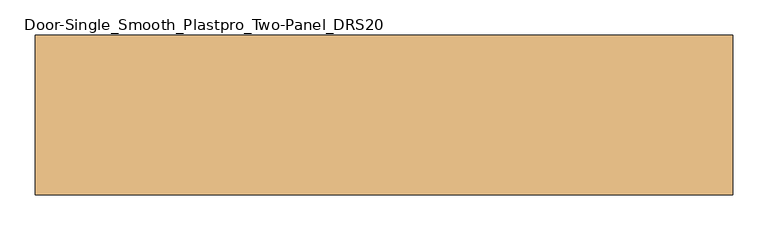
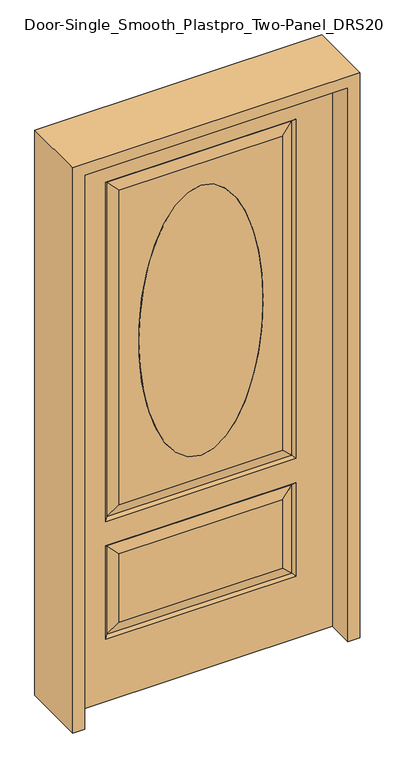
"""IFC4 building model written with IfcOpenShell, lengths in millimetres: door geometry, Door-Single_Smooth_Plastpro_Two-Panel_DRS20."""

import ifcopenshell
import ifcopenshell.guid

model = None  # the IFC model being written
_history = None  # IfcOwnerHistory: only IFC2X3 demands one
_inside = {}  # id of a spatial element -> (the spatial element, [elements in it])
_under = {}  # id of a project, library or spatial element -> (it, [spatial elements below it])
_declared = {}  # id of a project -> (the project, [libraries it declares])
_typed = {}  # id of a type object -> (the type object, [elements of that type])
_made_of = {}  # id of a material, layer set ... -> (it, [elements and type objects made of it])


def new_model(schema):
    """Start an empty IFC model of exactly this schema.

    Asked for "IFC4X3", IfcOpenShell would pick the latest addendum, in which some entities
    have other attributes; the version numbers below select the first issue.
    IFC2X3 requires an IfcOwnerHistory on every rooted entity: one is made here for all.
    """
    global model, _history
    if schema == "IFC4X3":
        model = ifcopenshell.file(schema_version=(4, 3, 0, 0))
    else:
        model = ifcopenshell.file(schema=schema)
    _inside.clear()
    _under.clear()
    _declared.clear()
    _typed.clear()
    _made_of.clear()
    _history = None
    if model.schema == "IFC2X3":
        org = make("IfcOrganization", Name="unknown")
        user = make(
            "IfcPersonAndOrganization",
            ThePerson=make("IfcPerson", FamilyName="unknown"),
            TheOrganization=org,
        )
        app = make(
            "IfcApplication",
            ApplicationDeveloper=org,
            Version="unknown",
            ApplicationFullName="unknown",
            ApplicationIdentifier="unknown",
        )
        _history = make(
            "IfcOwnerHistory",
            OwningUser=user,
            OwningApplication=app,
            ChangeAction="ADDED",
            CreationDate=0,
        )
    return model


def make(cls, **values):
    """One entity of the class cls with the attributes given. An attribute that is None is left unset."""
    return model.create_entity(
        cls, **{name: value for name, value in values.items() if value is not None}
    )


def rooted(cls, **values):
    """An entity with a GlobalId (a new one), such as an element, a storey or a relation."""
    return make(cls, GlobalId=ifcopenshell.guid.new(), OwnerHistory=_history, **values)


def si_unit(unit_type, name, prefix=None):
    """IfcSIUnit, for example si_unit("LENGTHUNIT", "METRE", prefix="MILLI")."""
    return make("IfcSIUnit", UnitType=unit_type, Prefix=prefix, Name=name)


def assignment(units):
    """IfcUnitAssignment: the units of a project."""
    return None if units is None else make("IfcUnitAssignment", Units=units)


def point(xyz):
    """IfcCartesianPoint."""
    return None if xyz is None else make("IfcCartesianPoint", Coordinates=xyz)


def direction(xyz):
    """IfcDirection."""
    return None if xyz is None else make("IfcDirection", DirectionRatios=xyz)


def frame(location, z_axis=None, x_axis=None):
    """IfcAxis2Placement3D, a coordinate frame: its origin and axes. An axis left out is left unset."""
    return make(
        "IfcAxis2Placement3D",
        Location=point(location),
        Axis=direction(z_axis),
        RefDirection=direction(x_axis),
    )


def origin():
    """The frame at (0, 0, 0) with its axes left unset."""
    return frame((0.0, 0.0, 0.0))


def place(relative_to, where):
    """IfcLocalPlacement: puts the frame where relative to a parent placement (None: the world)."""
    return make(
        "IfcLocalPlacement", PlacementRelTo=relative_to, RelativePlacement=where
    )


def context(
    kind, dimensions, precision=None, world=None, true_north=None, identifier=None
):
    """IfcGeometricRepresentationContext, for example the 3D "Model" context."""
    return make(
        "IfcGeometricRepresentationContext",
        ContextIdentifier=identifier,
        ContextType=kind,
        CoordinateSpaceDimension=dimensions,
        Precision=precision,
        WorldCoordinateSystem=world,
        TrueNorth=true_north,
    )


def project(units=None, contexts=None):
    """IfcProject with its units and contexts."""
    return rooted(
        "IfcProject",
        Name="project",
        RepresentationContexts=contexts,
        UnitsInContext=assignment(units),
    )


def spatial(cls, under=None, at=None, **own):
    """A site, building, storey or space (cls), placed at a placement, below another one or the project."""
    s = rooted(cls, ObjectPlacement=at, **own)
    if under is not None:
        _under.setdefault(under.id(), (under, []))[1].append(s)
    return s


def polyline(points):
    """IfcPolyline through the points."""
    return make("IfcPolyline", Points=[point(p) for p in points])


def ellipse_curve(where, semi_axis1, semi_axis2):
    """IfcEllipse in the frame where."""
    return make(
        "IfcEllipse", Position=where, SemiAxis1=semi_axis1, SemiAxis2=semi_axis2
    )


def trimmed(basis, trim1, trim2, sense, master):
    """IfcTrimmedCurve: the piece of a basis curve between two trims."""
    return make(
        "IfcTrimmedCurve",
        BasisCurve=basis,
        Trim1=trim1,
        Trim2=trim2,
        SenseAgreement=sense,
        MasterRepresentation=master,
    )


def outline(outer, holes=None, kind="AREA"):
    """IfcArbitraryClosedProfileDef: a profile drawn as a closed curve; with holes, ...WithVoids."""
    if holes is None:
        return make("IfcArbitraryClosedProfileDef", ProfileType=kind, OuterCurve=outer)
    return make(
        "IfcArbitraryProfileDefWithVoids",
        ProfileType=kind,
        OuterCurve=outer,
        InnerCurves=holes,
    )


def extrude(swept, where, along, depth):
    """IfcExtrudedAreaSolid: the profile swept, set in the frame where, extruded along a direction by depth."""
    return make(
        "IfcExtrudedAreaSolid",
        SweptArea=swept,
        Position=where,
        ExtrudedDirection=direction(along),
        Depth=depth,
    )


def shape(context_of_items, identifier, shape_type, items):
    """IfcShapeRepresentation: the items that make up one representation, for example the "Body"."""
    return make(
        "IfcShapeRepresentation",
        ContextOfItems=context_of_items,
        RepresentationIdentifier=identifier,
        RepresentationType=shape_type,
        Items=items,
    )


def source(mapping_origin, context_of_items, identifier, shape_type, items):
    """IfcRepresentationMap: a shape defined once, which mapped items show again and again."""
    return make(
        "IfcRepresentationMap",
        MappingOrigin=mapping_origin,
        MappedRepresentation=shape(context_of_items, identifier, shape_type, items),
    )


def transform(
    local_origin,
    x_axis=None,
    y_axis=None,
    z_axis=None,
    scale=None,
    scale2=None,
    scale3=None,
    uniform=True,
):
    """IfcCartesianTransformationOperator3D, or its non-uniform kind. x_axis, y_axis, z_axis: its Axis1, 2, 3."""
    if uniform:
        return make(
            "IfcCartesianTransformationOperator3D",
            Axis1=direction(x_axis),
            Axis2=direction(y_axis),
            LocalOrigin=point(local_origin),
            Scale=scale,
            Axis3=direction(z_axis),
        )
    return make(
        "IfcCartesianTransformationOperator3DnonUniform",
        Axis1=direction(x_axis),
        Axis2=direction(y_axis),
        LocalOrigin=point(local_origin),
        Scale=scale,
        Axis3=direction(z_axis),
        Scale2=scale2,
        Scale3=scale3,
    )


def mapped(mapping_source, mapping_target):
    """IfcMappedItem: shows the shape of a source again, moved by a transform."""
    return make(
        "IfcMappedItem", MappingSource=mapping_source, MappingTarget=mapping_target
    )


def made_of(thing, what):
    """Note that an element or type object is made of a material, layer set ...; save() writes the relation."""
    if what is not None:
        _made_of.setdefault(what.id(), (what, []))[1].append(thing)
    return thing


def element(
    cls,
    number,
    at=None,
    inside=None,
    cuts=None,
    type_object=None,
    material=None,
    context=None,
    identifier="Body",
    shape_type=None,
    held_by="IfcProductDefinitionShape",
    body=None,
    shapes=None,
    **own,
):
    """One element of the class cls, such as IfcWall. Its Tag is "e" and its number.

    at: its placement. inside: the storey or other place that contains it. cuts: it is an
    opening in that element (IfcRelVoidsElement). A single representation is given by context,
    identifier, shape_type and body (its items); several are given by shapes. held_by: the class
    of the entity that holds the representations. save() writes the other relations.
    """
    e = rooted(cls, Tag="e%d" % number, ObjectPlacement=at, **own)
    if body is not None:
        shapes = [shape(context, identifier, shape_type, body)]
    if shapes is not None:
        e.Representation = make(held_by, Representations=shapes)
    if inside is not None:
        _inside.setdefault(inside.id(), (inside, []))[1].append(e)
    if cuts is not None:
        rooted(
            "IfcRelVoidsElement", RelatingBuildingElement=cuts, RelatedOpeningElement=e
        )
    if type_object is not None:
        _typed.setdefault(type_object.id(), (type_object, []))[1].append(e)
    return made_of(e, material)


def aggregate(whole, parts):
    """IfcRelAggregates: a whole, such as a stair, and the parts it consists of."""
    return rooted("IfcRelAggregates", RelatingObject=whole, RelatedObjects=parts)


def save(model, path):
    """Write the relations noted so far, then the file.

    IfcRelAggregates (storeys below a building ...), IfcRelContainedInSpatialStructure (elements
    in a storey), IfcRelDefinesByType, IfcRelAssociatesMaterial and IfcRelDeclares: one each for
    every whole, place, type object, material and project.
    """
    for whole, parts in _under.values():
        aggregate(whole, parts)
    for where, things in _inside.values():
        rooted(
            "IfcRelContainedInSpatialStructure",
            RelatedElements=things,
            RelatingStructure=where,
        )
    for kind, things in _typed.values():
        rooted("IfcRelDefinesByType", RelatedObjects=things, RelatingType=kind)
    for what, things in _made_of.values():
        rooted("IfcRelAssociatesMaterial", RelatedObjects=things, RelatingMaterial=what)
    for by, libraries in _declared.values():
        rooted("IfcRelDeclares", RelatingContext=by, RelatedDefinitions=libraries)
    model.write(path)


def plane_surface(at):
    """IfcPlane: the flat surface through the origin of the frame at, square to its z axis."""
    return make("IfcPlane", Position=at)


def extruded_surface(curve, direction_of_extrusion, depth):
    """IfcSurfaceOfLinearExtrusion: the curve pushed along a direction by depth."""
    return make(
        "IfcSurfaceOfLinearExtrusion",
        SweptCurve=make("IfcArbitraryOpenProfileDef", ProfileType="CURVE", Curve=curve),
        ExtrudedDirection=direction(direction_of_extrusion),
        Depth=depth,
    )


def advanced_brep(points, edges, surfaces, faces):
    """IfcAdvancedBrep: a solid bounded by faces that lie on surfaces and meet in shared edges.

    An edge is (start, end): straight between two places in points (the first is 0);
    or (start, end, curve); or (start, end, curve, False) where it runs against its curve.
    A face is (place in surfaces, loops), or (place, loops, False) where it looks against
    its surface's normal. A loop lists edges by number (the first is 1), with a minus sign
    where the edge is run from its end to its start. The first loop is the outer one.
    """
    corners = [point(p) for p in points]
    vertices = [make("IfcVertexPoint", VertexGeometry=c) for c in corners]
    made = []
    for start, end, *more in edges:
        made.append(
            make(
                "IfcEdgeCurve",
                EdgeStart=vertices[start],
                EdgeEnd=vertices[end],
                EdgeGeometry=more[0] if more else make("IfcPolyline", Points=[corners[start], corners[end]]),
                SameSense=more[1] if len(more) > 1 else True,
            )
        )
    hull = []
    for where, loops, *sense in faces:
        bounds = []
        for j, loop in enumerate(loops):
            ring = [make("IfcOrientedEdge", EdgeElement=made[abs(k) - 1], Orientation=k > 0) for k in loop]
            bounds.append(
                make(
                    "IfcFaceOuterBound" if j == 0 else "IfcFaceBound",
                    Bound=make("IfcEdgeLoop", EdgeList=ring),
                    Orientation=True,
                )
            )
        hull.append(make("IfcAdvancedFace", Bounds=bounds, FaceSurface=surfaces[where], SameSense=sense[0] if sense else True))
    return make("IfcAdvancedBrep", Outer=make("IfcClosedShell", CfsFaces=hull))


def door_single_smooth_plastpro_two_panel_drs20_45e7a309(model_context):
    return source(origin(), model_context, "Body", "SolidModel", [
        advanced_brep(
        [(0.0, -20.6375, 1778.0), (0.0, -20.6375, 787.4), (0.0, 20.6375, 1778.0), (0.0, 20.6375, 787.4)],
        [
            (0, 1, ellipse_curve(frame((0.0, -20.6375, 1282.7), z_axis=(0.0, -1.0, 0.0), x_axis=(0.0, 0.0, -1.0)), 495.3, 215.9)),
            (1, 0, ellipse_curve(frame((0.0, -20.6375, 1282.7), z_axis=(0.0, -1.0, 0.0), x_axis=(0.0, 0.0, -1.0)), 495.3, 215.9)),
            (0, 2),
            (2, 3, ellipse_curve(frame((0.0, 20.6375, 1282.7), z_axis=(0.0, -1.0, 0.0), x_axis=(0.0, 0.0, -1.0)), 495.3, 215.9)),
            (3, 1),
            (3, 2, ellipse_curve(frame((0.0, 20.6375, 1282.7), z_axis=(0.0, -1.0, 0.0), x_axis=(0.0, 0.0, -1.0)), 495.3, 215.9)),
        ],
        [
            plane_surface(frame((0.0, -20.6375, 787.4), z_axis=(0.0, -1.0, 0.0), x_axis=(1.0, 0.0, 0.0))),
            extruded_surface(trimmed(ellipse_curve(frame((0.0, 61.9125, 1282.7), z_axis=(0.0, -1.0, 0.0), x_axis=(0.0, 0.0, -1.0)), 495.3, 215.9), [point((0.0, 61.9125, 1778.0))], [point((0.0, 61.9125, 787.4))], True, "CARTESIAN"), (0.0, -41.275000000000006, 0.0), 41.275000000000006),
            extruded_surface(trimmed(ellipse_curve(frame((0.0, 61.9125, 1282.7), z_axis=(0.0, -1.0, 0.0), x_axis=(0.0, 0.0, -1.0)), 495.3, 215.9), [point((0.0, 61.9125, 787.4))], [point((0.0, 61.9125, 1778.0))], True, "CARTESIAN"), (0.0, -41.275000000000006, 0.0), 41.275000000000006),
            plane_surface(frame((0.0, 20.6375, 787.4), z_axis=(0.0, 1.0, 0.0), x_axis=(-1.0, 0.0, 0.0))),
        ],
        [
            (0, [[1, 2]]),
            (1, [[-1, 3, 4, 5]]),
            (2, [[-2, -5, 6, -3]]),
            (3, [[-6, -4]]),
        ],
    ),
        advanced_brep(
        [(457.2, 20.6375, 0.0), (457.2, -20.6375, 0.0), (-457.2, -20.6375, 0.0), (-457.2, 20.6375, 0.0), (457.2, 20.6375, 2032.0), (457.2, -20.6375, 2032.0), (-284.1625, -20.6375, 706.4375), (284.1625, -20.6375, 706.4375), (284.1625, -20.6375, 1858.9625), (-284.1625, -20.6375, 1858.9625), (0.0, -20.6375, 787.4), (0.0, -20.6375, 1778.0), (-284.1625, -20.6375, 274.6375), (284.1625, -20.6375, 274.6375), (284.1625, -20.6375, 525.4625), (-284.1625, -20.6375, 525.4625), (-457.2, -20.6375, 2032.0), (330.2, -20.6375, 660.4), (-330.2, -20.6375, 660.4), (-330.2, -20.6375, 1905.0), (330.2, -20.6375, 1905.0), (330.2, -20.6375, 228.6), (-330.2, -20.6375, 228.6), (-330.2, -20.6375, 571.5), (330.2, -20.6375, 571.5), (-457.2, 20.6375, 2032.0), (-284.1625, 20.6375, 525.4625), (284.1625, 20.6375, 525.4625), (284.1625, 20.6375, 274.6375), (-284.1625, 20.6375, 274.6375), (-284.1625, 20.6375, 1858.9625), (284.1625, 20.6375, 1858.9625), (284.1625, 20.6375, 706.4375), (-284.1625, 20.6375, 706.4375), (0.0, 20.6375, 1778.0), (0.0, 20.6375, 787.4), (330.2, 20.6375, 571.5), (-330.2, 20.6375, 571.5), (-330.2, 20.6375, 228.6), (330.2, 20.6375, 228.6), (330.2, 20.6375, 1905.0), (-330.2, 20.6375, 1905.0), (-330.2, 20.6375, 660.4), (330.2, 20.6375, 660.4), (-321.2197439, 11.6572439, 1896.0197439), (-321.2197439, 11.6572439, 669.3802561), (321.2197439, 11.6572439, 669.3802561), (321.2197439, 11.6572439, 1896.0197439), (321.2197439, 11.6572439, 562.5197439), (-321.2197439, 11.6572439, 562.5197439), (-321.2197439, 11.6572439, 237.5802561), (321.2197439, 11.6572439, 237.5802561), (321.2197439, -11.6572439, 669.3802561), (-321.2197439, -11.6572439, 669.3802561), (-321.2197439, -11.6572439, 1896.0197439), (321.2197439, -11.6572439, 1896.0197439), (321.2197439, -11.6572439, 237.5802561), (-321.2197439, -11.6572439, 237.5802561), (-321.2197439, -11.6572439, 562.5197439), (321.2197439, -11.6572439, 562.5197439)],
        [
            (0, 1),
            (1, 2),
            (2, 3),
            (3, 0),
            (4, 5),
            (5, 1),
            (0, 4),
            (6, 7),
            (7, 8),
            (8, 9),
            (9, 6),
            (10, 11, ellipse_curve(frame((0.0, -20.6375, 1282.7), z_axis=(0.0, 1.0, 0.0), x_axis=(0.0, 0.0, -1.0)), 495.3, 215.9)),
            (11, 10, ellipse_curve(frame((0.0, -20.6375, 1282.7), z_axis=(0.0, 1.0, 0.0), x_axis=(0.0, 0.0, -1.0)), 495.3, 215.9)),
            (12, 13),
            (13, 14),
            (14, 15),
            (15, 12),
            (5, 16),
            (16, 2),
            (17, 18),
            (18, 19),
            (19, 20),
            (20, 17),
            (21, 22),
            (22, 23),
            (23, 24),
            (24, 21),
            (16, 25),
            (25, 3),
            (26, 27),
            (27, 28),
            (28, 29),
            (29, 26),
            (30, 31),
            (31, 32),
            (32, 33),
            (33, 30),
            (34, 35, ellipse_curve(frame((0.0, 20.6375, 1282.7), z_axis=(0.0, -1.0, 0.0), x_axis=(0.0, 0.0, -1.0)), 495.3, 215.9)),
            (35, 34, ellipse_curve(frame((0.0, 20.6375, 1282.7), z_axis=(0.0, -1.0, 0.0), x_axis=(0.0, 0.0, -1.0)), 495.3, 215.9)),
            (25, 4),
            (36, 37),
            (37, 38),
            (38, 39),
            (39, 36),
            (40, 41),
            (41, 42),
            (42, 43),
            (43, 40),
            (41, 44),
            (44, 45),
            (45, 42),
            (45, 46),
            (46, 43),
            (47, 40),
            (46, 47),
            (31, 47),
            (46, 32),
            (45, 33),
            (44, 30),
            (48, 49),
            (49, 37),
            (36, 48),
            (49, 50),
            (50, 38),
            (50, 51),
            (51, 39),
            (51, 48),
            (48, 27),
            (26, 49),
            (51, 28),
            (50, 29),
            (10, 35),
            (34, 11),
            (52, 53),
            (53, 18),
            (17, 52),
            (53, 54),
            (54, 19),
            (20, 55),
            (55, 52),
            (52, 7),
            (6, 53),
            (55, 8),
            (9, 54),
            (56, 57),
            (57, 22),
            (21, 56),
            (57, 58),
            (58, 23),
            (58, 59),
            (59, 24),
            (59, 56),
            (56, 13),
            (12, 57),
            (59, 14),
            (58, 15),
            (54, 55),
            (47, 44),
        ],
        [
            plane_surface(frame((-457.2, 20.6375, 0.0), z_axis=(0.0, 0.0, -1.0), x_axis=(1.0, 0.0, 0.0))),
            plane_surface(frame((457.2, -20.6375, 2032.0), z_axis=(1.0, 0.0, 0.0), x_axis=(0.0, 0.0, -1.0))),
            plane_surface(frame((-457.2, -20.6375, 2032.0), z_axis=(0.0, -1.0, 0.0), x_axis=(0.0, 0.0, -1.0))),
            plane_surface(frame((-457.2, 20.6375, 2032.0), z_axis=(-1.0, 0.0, 0.0), x_axis=(0.0, 0.0, -1.0))),
            plane_surface(frame((457.2, 20.6375, 2032.0), z_axis=(0.0, 1.0, 0.0), x_axis=(0.0, 0.0, -1.0))),
            plane_surface(frame((-330.2, 20.6375, 1905.0), z_axis=(0.7071067811865436, 0.7071067811865516, 0.0), x_axis=(0.0, 0.0, -1.0))),
            plane_surface(frame((-330.2, 20.6375, 660.4), z_axis=(0.0, 0.7071067811865516, 0.7071067811865436), x_axis=(1.0, 0.0, 0.0))),
            plane_surface(frame((330.2, 20.6375, 660.4), z_axis=(-0.7071067811865436, 0.7071067811865516, 0.0), x_axis=(0.0, 0.0, 1.0))),
            plane_surface(frame((321.2197439, 11.6572439, 669.3802561), z_axis=(0.2355178326930706, 0.9718700275672457, 0.0), x_axis=(0.0, 0.0, 1.0))),
            plane_surface(frame((-321.2197439, 11.6572439, 669.3802561), z_axis=(0.0, 0.9718700275672457, -0.2355178326930706), x_axis=(1.0, 0.0, 0.0))),
            plane_surface(frame((-321.2197439, 11.6572439, 1896.0197439), z_axis=(-0.2355178326930706, 0.9718700275672457, 0.0), x_axis=(0.0, 0.0, -1.0))),
            plane_surface(frame((330.2, 20.6375, 571.5), z_axis=(0.0, 0.7071067811865542, -0.7071067811865409), x_axis=(-1.0, 0.0, 0.0))),
            plane_surface(frame((-330.2, 20.6375, 571.5), z_axis=(0.7071067811865409, 0.7071067811865542, 0.0), x_axis=(0.0, 0.0, -1.0))),
            plane_surface(frame((-330.2, 20.6375, 228.6), z_axis=(0.0, 0.7071067811865542, 0.7071067811865409), x_axis=(1.0, 0.0, 0.0))),
            plane_surface(frame((330.2, 20.6375, 228.6), z_axis=(-0.7071067811865409, 0.7071067811865542, 0.0), x_axis=(0.0, 0.0, 1.0))),
            plane_surface(frame((321.2197439, 11.6572439, 562.5197439), z_axis=(0.0, 0.9718700275672457, 0.2355178326930706), x_axis=(-1.0, 0.0, 0.0))),
            plane_surface(frame((321.2197439, 11.6572439, 237.5802561), z_axis=(0.2355178326930706, 0.9718700275672457, 0.0), x_axis=(0.0, 0.0, 1.0))),
            plane_surface(frame((-321.2197439, 11.6572439, 237.5802561), z_axis=(0.0, 0.9718700275672457, -0.2355178326930706), x_axis=(1.0, 0.0, 0.0))),
            plane_surface(frame((-321.2197439, 11.6572439, 562.5197439), z_axis=(-0.2355178326930706, 0.9718700275672457, 0.0), x_axis=(0.0, 0.0, -1.0))),
            extruded_surface(trimmed(ellipse_curve(frame((0.0, 20.6375, 1282.7), z_axis=(0.0, -1.0, 0.0), x_axis=(0.0, 0.0, -1.0)), 495.3, 215.9), [point((0.0, 20.6375, 1778.0))], [point((0.0, 20.6375, 787.4))], True, "CARTESIAN"), (0.0, 41.275000000000006, 0.0), 41.275000000000006),
            extruded_surface(trimmed(ellipse_curve(frame((0.0, 20.6375, 1282.7), z_axis=(0.0, -1.0, 0.0), x_axis=(0.0, 0.0, -1.0)), 495.3, 215.9), [point((0.0, 20.6375, 787.4))], [point((0.0, 20.6375, 1778.0))], True, "CARTESIAN"), (0.0, 41.275000000000006, 0.0), 41.275000000000006),
            plane_surface(frame((330.2, -20.6375, 660.4), z_axis=(0.0, -0.7071067811865466, 0.7071067811865486), x_axis=(-1.0, 0.0, 0.0))),
            plane_surface(frame((-330.2, -20.6375, 660.4), z_axis=(0.7071067811865486, -0.7071067811865466, 0.0), x_axis=(0.0, 0.0, 1.0))),
            plane_surface(frame((330.2, -20.6375, 1905.0), z_axis=(-0.7071067811865486, -0.7071067811865466, 0.0), x_axis=(0.0, 0.0, -1.0))),
            plane_surface(frame((321.2197439, -11.6572439, 669.3802561), z_axis=(0.0, -0.9718700275672454, -0.23551783269307167), x_axis=(-1.0, 0.0, 0.0))),
            plane_surface(frame((321.2197439, -11.6572439, 1896.0197439), z_axis=(0.23551783269307167, -0.9718700275672454, 0.0), x_axis=(0.0, 0.0, -1.0))),
            plane_surface(frame((-321.2197439, -11.6572439, 669.3802561), z_axis=(-0.23551783269307167, -0.9718700275672454, 0.0), x_axis=(0.0, 0.0, 1.0))),
            plane_surface(frame((330.2, -20.6375, 228.6), z_axis=(0.0, -0.7071067811865489, 0.7071067811865462), x_axis=(-1.0, 0.0, 0.0))),
            plane_surface(frame((-330.2, -20.6375, 228.6), z_axis=(0.7071067811865462, -0.7071067811865489, 0.0), x_axis=(0.0, 0.0, 1.0))),
            plane_surface(frame((-330.2, -20.6375, 571.5), z_axis=(0.0, -0.7071067811865489, -0.7071067811865462), x_axis=(1.0, 0.0, 0.0))),
            plane_surface(frame((330.2, -20.6375, 571.5), z_axis=(-0.7071067811865462, -0.7071067811865489, 0.0), x_axis=(0.0, 0.0, -1.0))),
            plane_surface(frame((321.2197439, -11.6572439, 237.5802561), z_axis=(0.0, -0.9718700275672454, -0.2355178326930719), x_axis=(-1.0, 0.0, 0.0))),
            plane_surface(frame((321.2197439, -11.6572439, 562.5197439), z_axis=(0.2355178326930719, -0.9718700275672454, 0.0), x_axis=(0.0, 0.0, -1.0))),
            plane_surface(frame((-321.2197439, -11.6572439, 562.5197439), z_axis=(0.0, -0.9718700275672454, 0.2355178326930719), x_axis=(1.0, 0.0, 0.0))),
            plane_surface(frame((-321.2197439, -11.6572439, 237.5802561), z_axis=(-0.2355178326930719, -0.9718700275672454, 0.0), x_axis=(0.0, 0.0, 1.0))),
            plane_surface(frame((-457.2, 20.6375, 2032.0), z_axis=(0.0, 0.0, 1.0), x_axis=(-1.0, 0.0, 0.0))),
            plane_surface(frame((-330.2, -20.6375, 1905.0), z_axis=(0.0, -0.7071067811865466, -0.7071067811865486), x_axis=(1.0, 0.0, 0.0))),
            plane_surface(frame((-321.2197439, -11.6572439, 1896.0197439), z_axis=(0.0, -0.9718700275672454, 0.23551783269307167), x_axis=(1.0, 0.0, 0.0))),
            plane_surface(frame((330.2, 20.6375, 1905.0), z_axis=(0.0, 0.7071067811865516, -0.7071067811865436), x_axis=(-1.0, 0.0, 0.0))),
            plane_surface(frame((321.2197439, 11.6572439, 1896.0197439), z_axis=(0.0, 0.9718700275672457, 0.2355178326930706), x_axis=(-1.0, 0.0, 0.0))),
        ],
        [
            (0, [[1, 2, 3, 4]]),
            (1, [[5, 6, -1, 7]]),
            (2, [[8, 9, 10, 11], [12, 13]]),
            (2, [[14, 15, 16, 17]]),
            (2, [[18, 19, -2, -6], [20, 21, 22, 23], [24, 25, 26, 27]]),
            (3, [[28, 29, -3, -19]]),
            (4, [[30, 31, 32, 33]]),
            (4, [[34, 35, 36, 37], [38, 39]]),
            (4, [[40, -7, -4, -29], [41, 42, 43, 44], [45, 46, 47, 48]]),
            (5, [[49, 50, 51, -46]]),
            (6, [[-51, 52, 53, -47]]),
            (7, [[54, -48, -53, 55]]),
            (8, [[56, -55, 57, -35]]),
            (9, [[58, -36, -57, -52]]),
            (10, [[59, -37, -58, -50]]),
            (11, [[60, 61, -41, 62]]),
            (12, [[-61, 63, 64, -42]]),
            (13, [[-64, 65, 66, -43]]),
            (14, [[-62, -44, -66, 67]]),
            (15, [[-60, 68, -30, 69]]),
            (16, [[-68, -67, 70, -31]]),
            (17, [[71, -32, -70, -65]]),
            (18, [[-69, -33, -71, -63]]),
            (19, [[72, -38, 73, -12]]),
            (20, [[-72, -13, -73, -39]]),
            (21, [[74, 75, -20, 76]]),
            (22, [[-75, 77, 78, -21]]),
            (23, [[-76, -23, 79, 80]]),
            (24, [[-74, 81, -8, 82]]),
            (25, [[-81, -80, 83, -9]]),
            (26, [[-82, -11, 84, -77]]),
            (27, [[85, 86, -24, 87]]),
            (28, [[-86, 88, 89, -25]]),
            (29, [[-89, 90, 91, -26]]),
            (30, [[-87, -27, -91, 92]]),
            (31, [[-85, 93, -14, 94]]),
            (32, [[-93, -92, 95, -15]]),
            (33, [[96, -16, -95, -90]]),
            (34, [[-94, -17, -96, -88]]),
            (35, [[-40, -28, -18, -5]]),
            (36, [[-78, 97, -79, -22]]),
            (37, [[-84, -10, -83, -97]]),
            (38, [[98, -49, -45, -54]]),
            (39, [[-98, -56, -34, -59]]),
        ],
    ),
        extrude(outline(polyline([(2073.275, -498.475), (0.0, -498.475), (0.0, -457.2), (2032.0, -457.2), (2032.0, 457.2), (0.0, 457.2), (0.0, 498.475), (2073.275, 498.475), (2073.275, -498.475)])), frame((0.0, -114.3, 0.0), z_axis=(0.0, 1.0, 0.0), x_axis=(0.0, 0.0, 1.0)), (0.0, 0.0, 1.0), 228.6),
    ])


if __name__ == "__main__":
    model = new_model("IFC4")
    model_context = context("Model", 3, world=origin())
    ifc_project = project(units=[si_unit("LENGTHUNIT", "METRE", prefix="MILLI")], contexts=[model_context])
    site = spatial("IfcSite", under=ifc_project)
    building = spatial("IfcBuilding", under=site)
    placement = place(None, origin())
    door_single_smooth_plastpro_two_panel_drs20_shape = door_single_smooth_plastpro_two_panel_drs20_45e7a309(model_context)
    element("IfcDoor", 1, ObjectType="Door-Single_Smooth_Plastpro_Two-Panel_DRS20", at=placement, inside=building, context=model_context, shape_type="MappedRepresentation", body=[
        mapped(door_single_smooth_plastpro_two_panel_drs20_shape, transform((0.0, 0.0, 0.0), x_axis=(1.0, 0.0, 0.0), y_axis=(0.0, 1.0, 0.0), z_axis=(0.0, 0.0, 1.0))),
    ])
    save(model, "model.ifc")
